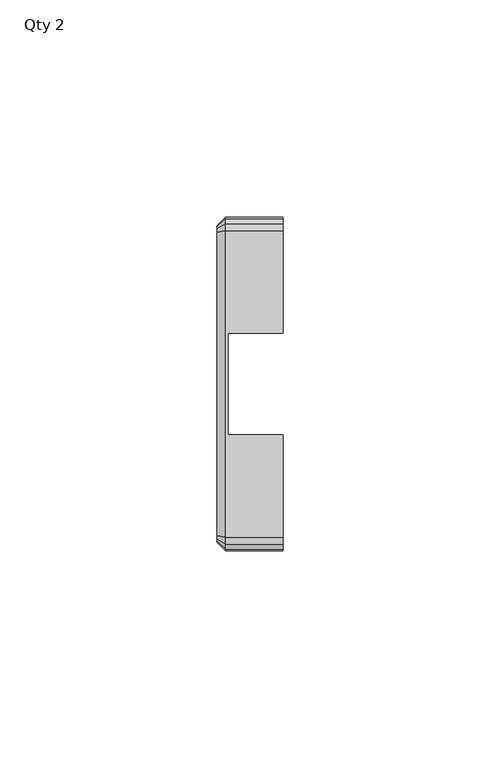
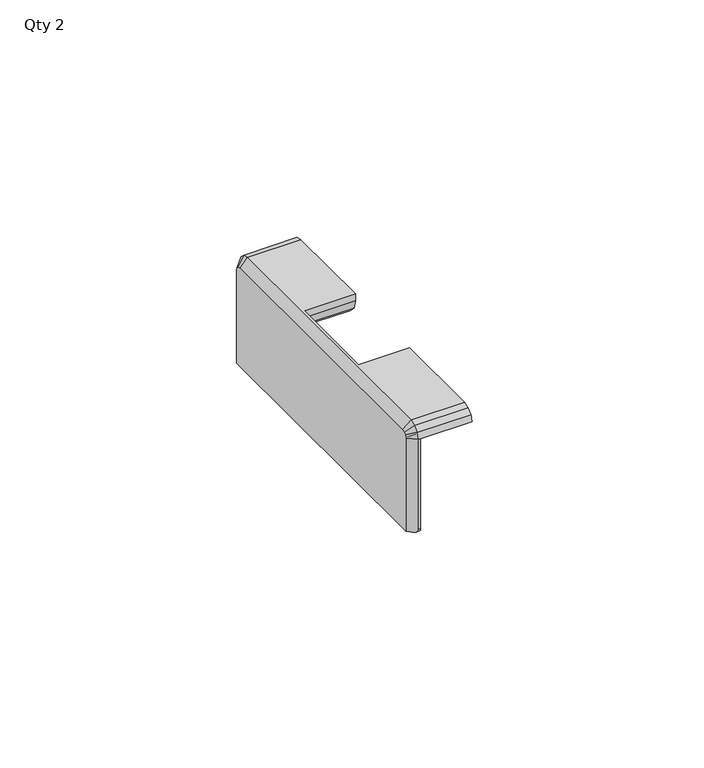
"""IFC4 building model written with IfcOpenShell, lengths in millimetres: furniture geometry, Qty 2."""

from ifc_helpers import new_model, si_unit, frame, origin, place, context, project, spatial, polyline, circle_curve, ellipse_curve, source, transform, mapped, element, save
from ifc_brep_helpers import plane_surface, cylinder_surface, revolved_surface, advanced_brep


def qty_2_4dd8b7d0(model_context):
    return source(origin(), model_context, "Body", "AdvancedBrep", [
        advanced_brep(
        [(15.24, 0.0027357, 721.2779943), (15.24, -0.4233057, 722.8680136), (15.24, -1.5872653, 724.0319687), (15.24, -3.1772664, 724.4580328), (15.24, -26.7800015, 724.4580328), (15.24, -26.7800015, 722.6579973), (15.24, -26.1704173, 720.3829908), (15.24, -24.5050018, 718.7176128), (15.24, -22.230001, 718.1079844), (15.24, -6.1958655, 718.1079844), (15.24, -5.0958599, 719.2079899), (15.24, -5.0958599, 720.205022), (15.24, -4.0228876, 721.2779943), (15.24, -73.7172649, 724.4580328), (15.24, -75.3072659, 724.0319687), (15.24, -76.4712256, 722.8680136), (15.24, -76.897267, 721.2779943), (15.24, -72.8802913, 721.2779943), (15.24, -71.8041428, 720.2018459), (15.24, -71.8041428, 719.2079899), (15.24, -70.7041372, 718.1079844), (15.24, -54.6700017, 718.1079844), (15.24, -52.3950009, 718.7176128), (15.24, -50.7295854, 720.3829908), (15.24, -50.1200012, 722.6579973), (15.24, -50.1200012, 724.4580328), (0.0, -2.0337949, 696.6079885), (0.0, -74.8607364, 696.6079885), (0.0, -74.8607364, 721.0098818), (0.0, -74.6453214, 721.813827), (0.0, -74.253071, 722.2060759), (0.0, -73.4491356, 722.4215022), (0.0, -3.4453957, 722.4215022), (0.0, -2.6414602, 722.2060759), (0.0, -2.2492099, 721.813827), (0.0, -2.0337949, 721.0098818), (2.54, -75.8972667, 696.6079885), (2.54, -76.897267, 697.6079888), (2.0365306, -76.897267, 697.6079888), (1.0365303, -75.8972667, 696.6079885), (2.54, -0.9972646, 696.6079885), (1.0365303, -0.9972646, 696.6079885), (2.54, 0.0027357, 697.6079888), (2.0365306, 0.0027357, 697.6079888), (2.54, 0.0027357, 721.2779943), (2.0365306, 0.0027357, 721.2779943), (2.0365306, -0.4233057, 722.8680136), (2.0365306, -1.5872653, 724.0319687), (2.0365306, -3.1772664, 724.4580328), (2.0365306, -73.7172649, 724.4580328), (2.54, -50.1200012, 724.4580328), (2.54, -26.7800015, 724.4580328), (2.0365306, -75.3072659, 724.0319687), (2.0365306, -76.4712256, 722.8680136), (2.0365306, -76.897267, 721.2779943), (2.54, -76.897267, 721.2779943), (2.54, -70.7041372, 718.1079844), (2.54, -71.8041428, 719.2079899), (2.54, -71.8041428, 720.2018459), (2.54, -72.8802913, 721.2779943), (2.54, -4.0228876, 721.2779943), (2.54, -5.0958599, 720.205022), (2.54, -5.0958599, 719.2079899), (2.54, -6.1958655, 718.1079844), (2.54, -22.230001, 718.1079844), (2.54, -24.5050018, 718.7176128), (2.54, -26.1704173, 720.3829908), (2.54, -26.7800015, 722.6579973), (2.54, -50.1200012, 722.6579973), (2.54, -50.7295854, 720.3829908), (2.54, -52.3950009, 718.7176128), (2.54, -54.6700017, 718.1079844)],
        [
            (0, 1),
            (1, 2),
            (2, 3),
            (3, 4),
            (4, 5),
            (5, 6),
            (6, 7),
            (7, 8),
            (8, 9),
            (9, 10, circle_curve(frame((15.24, -6.1958655, 719.2079899), z_axis=(1.0, 0.0, 0.0), x_axis=(0.0, 1.0, 0.0)), 1.1000055)),
            (10, 11),
            (11, 12, circle_curve(frame((15.24, -4.0228876, 720.205022), z_axis=(-1.0, 0.0, 0.0), x_axis=(0.0, 1.0, 0.0)), 1.0729723)),
            (12, 0),
            (13, 14),
            (14, 15),
            (15, 16),
            (16, 17),
            (17, 18, circle_curve(frame((15.24, -72.8802913, 720.2018459), z_axis=(-1.0, 0.0, 0.0), x_axis=(0.0, 1.0, 0.0)), 1.0761485)),
            (18, 19),
            (19, 20, circle_curve(frame((15.24, -70.7041372, 719.2079899), z_axis=(1.0, 0.0, 0.0), x_axis=(0.0, 1.0, 0.0)), 1.1000055)),
            (20, 21),
            (21, 22),
            (22, 23),
            (23, 24),
            (24, 25),
            (25, 13),
            (26, 27),
            (27, 28),
            (28, 29),
            (29, 30),
            (30, 31),
            (31, 32),
            (32, 33),
            (33, 34),
            (34, 35),
            (35, 26),
            (36, 37, circle_curve(frame((2.54, -75.8972667, 697.6079888), z_axis=(-1.0, 0.0, 0.0), x_axis=(0.0, 1.0, 0.0)), 1.0000003)),
            (37, 38),
            (38, 39, ellipse_curve(frame((1.0365303, -75.8972667, 697.6079888), z_axis=(0.7071067811865508, 0.7071067811865442, 0.0), x_axis=(0.7071067811865442, -0.7071067811865508, 0.0)), 1.414214, 1.0000003)),
            (39, 36),
            (40, 36),
            (39, 27),
            (26, 41),
            (41, 40),
            (42, 40, circle_curve(frame((2.54, -0.9972646, 697.6079888), z_axis=(-1.0, 0.0, 0.0), x_axis=(0.0, 1.0, 0.0)), 1.0000003)),
            (41, 43, ellipse_curve(frame((1.0365303, -0.9972646, 697.6079888), z_axis=(0.7071067811865505, -0.7071067811865447, 0.0), x_axis=(0.7071067811865446, 0.7071067811865505, 0.0)), 1.414214, 1.0000003)),
            (43, 42),
            (44, 42),
            (43, 45),
            (45, 44),
            (0, 44),
            (45, 46),
            (46, 1),
            (46, 47),
            (47, 2),
            (47, 48),
            (48, 3),
            (48, 49),
            (49, 13),
            (25, 50),
            (50, 51),
            (51, 4),
            (49, 52),
            (52, 14),
            (52, 53),
            (53, 15),
            (53, 54),
            (54, 55),
            (55, 16),
            (37, 55),
            (54, 38),
            (56, 57, circle_curve(frame((2.54, -70.7041372, 719.2079899), z_axis=(-1.0, 0.0, 0.0), x_axis=(0.0, 1.0, 0.0)), 1.1000055)),
            (57, 58),
            (58, 59, circle_curve(frame((2.54, -72.8802913, 720.2018459), z_axis=(1.0, 0.0, 0.0), x_axis=(0.0, 1.0, 0.0)), 1.0761485)),
            (59, 55),
            (44, 60),
            (60, 61, circle_curve(frame((2.54, -4.0228876, 720.205022), z_axis=(1.0, 0.0, 0.0), x_axis=(0.0, 1.0, 0.0)), 1.0729723)),
            (61, 62),
            (62, 63, circle_curve(frame((2.54, -6.1958655, 719.2079899), z_axis=(-1.0, 0.0, 0.0), x_axis=(0.0, 1.0, 0.0)), 1.1000055)),
            (63, 64),
            (64, 65),
            (65, 66),
            (66, 67),
            (67, 51),
            (50, 68),
            (68, 69),
            (69, 70),
            (70, 71),
            (71, 56),
            (56, 20),
            (19, 57),
            (18, 58),
            (17, 59),
            (12, 60),
            (11, 61),
            (10, 62),
            (9, 63),
            (8, 64),
            (7, 65),
            (6, 66),
            (5, 67),
            (24, 68),
            (23, 69),
            (22, 70),
            (21, 71),
            (54, 28),
            (53, 29),
            (52, 30),
            (49, 31),
            (48, 32),
            (47, 33),
            (46, 34),
            (45, 35),
        ],
        [
            plane_surface(frame((15.24, -74.8972664, 697.6079888), z_axis=(1.0, 0.0, 0.0), x_axis=(0.0, 0.0, 1.0))),
            plane_surface(frame((0.0, -74.8972664, 697.6079888), z_axis=(-1.0, 0.0, 0.0), x_axis=(0.0, 0.0, -1.0))),
            cylinder_surface(frame((0.0, -75.8972667, 697.6079888), z_axis=(1.0, 0.0, 0.0), x_axis=(0.0, 1.0, 0.0)), 1.0000003),
            plane_surface(frame((15.24, -75.8972667, 696.6079885), z_axis=(0.0, 0.0, -1.0), x_axis=(-1.0, 0.0, 0.0))),
            cylinder_surface(frame((0.0, -0.9972646, 697.6079888), z_axis=(1.0, 0.0, 0.0), x_axis=(0.0, 1.0, 0.0)), 1.0000003),
            plane_surface(frame((15.24, 0.0027357, 697.6079888), z_axis=(0.0, 1.0, 0.0), x_axis=(-1.0, 0.0, 0.0))),
            plane_surface(frame((15.24, 0.0027357, 721.2779943), z_axis=(0.0, 0.9659262769177395, 0.25881736332756844), x_axis=(-1.0, 0.0, 0.0))),
            plane_surface(frame((15.24, -0.4233057, 722.8680136), z_axis=(0.0, 0.7071054015857877, 0.7071081607846157), x_axis=(-1.0, 0.0, 0.0))),
            plane_surface(frame((15.24, -1.5872653, 724.0319687), z_axis=(0.0, 0.25883299420912376, 0.9659220885292663), x_axis=(-1.0, 0.0, 0.0))),
            plane_surface(frame((15.24, -3.1772664, 724.4580328), z_axis=(0.0, 0.0, 1.0), x_axis=(-1.0, 0.0, 0.0))),
            plane_surface(frame((15.24, -73.7172649, 724.4580328), z_axis=(0.0, -0.25883299420912814, 0.9659220885292651), x_axis=(-1.0, 0.0, 0.0))),
            plane_surface(frame((15.24, -75.3072659, 724.0319687), z_axis=(0.0, -0.7071054015857835, 0.70710816078462), x_axis=(-1.0, 0.0, 0.0))),
            plane_surface(frame((15.24, -76.4712256, 722.8680136), z_axis=(0.0, -0.9659262769177406, 0.2588173633275645), x_axis=(-1.0, 0.0, 0.0))),
            plane_surface(frame((15.24, -76.897267, 721.2779943), z_axis=(0.0, -1.0, 0.0), x_axis=(-1.0, 0.0, 0.0))),
            plane_surface(frame((2.54, -69.6041317, 719.2079899), z_axis=(1.0, 0.0, 0.0), x_axis=(0.0, 0.0, 1.0))),
            cylinder_surface(frame((2.54, -70.7041372, 719.2079899), z_axis=(-1.0, 0.0, 0.0), x_axis=(0.0, 1.0, 0.0)), 1.1000055),
            plane_surface(frame((15.46, -71.8041428, 719.2079899), z_axis=(0.0, -1.0, 0.0), x_axis=(-1.0, 0.0, 0.0))),
            revolved_surface(polyline([(15.239999999999998, -71.8041428, 720.2018459), (2.54, -71.8041428, 720.2018459)]), (2.54, -72.8802913, 720.2018459), (1.0, 0.0, 0.0)),
            plane_surface(frame((15.46, -72.8802913, 721.2779943), z_axis=(0.0, 0.0, -1.0), x_axis=(-1.0, 0.0, 0.0))),
            plane_surface(frame((15.46, 0.0027357, 721.2779943), z_axis=(0.0, 0.0, -1.0), x_axis=(-1.0, 0.0, 0.0))),
            revolved_surface(polyline([(15.239999999999998, -2.9499153, 720.205022), (2.54, -2.9499153, 720.205022)]), (2.54, -4.0228876, 720.205022), (1.0, 0.0, 0.0)),
            plane_surface(frame((15.46, -5.0958599, 720.205022), z_axis=(0.0, 1.0, 0.0), x_axis=(-1.0, 0.0, 0.0))),
            cylinder_surface(frame((2.54, -6.1958655, 719.2079899), z_axis=(-1.0, 0.0, 0.0), x_axis=(0.0, 1.0, 0.0)), 1.1000055),
            plane_surface(frame((15.46, -6.1958655, 718.1079844), z_axis=(0.0, 0.0, -1.0), x_axis=(-1.0, 0.0, 0.0))),
            plane_surface(frame((15.46, -22.230001, 718.1079844), z_axis=(0.0, -0.2588364187085513, -0.9659211708778991), x_axis=(-1.0, 0.0, 0.0))),
            plane_surface(frame((15.46, -24.5050018, 718.7176128), z_axis=(0.0, -0.7070988263957118, -0.7071147358878949), x_axis=(-1.0, 0.0, 0.0))),
            plane_surface(frame((15.46, -26.1704173, 720.3829908), z_axis=(0.0, -0.9659260329607757, -0.25881827379197636), x_axis=(-1.0, 0.0, 0.0))),
            plane_surface(frame((15.46, -26.7800015, 722.6579973), z_axis=(0.0, -1.0, 0.0), x_axis=(-1.0, 0.0, 0.0))),
            plane_surface(frame((15.46, -50.1200012, 724.4580328), z_axis=(0.0, 1.0, 0.0), x_axis=(-1.0, 0.0, 0.0))),
            plane_surface(frame((15.46, -50.1200012, 722.6579973), z_axis=(0.0, 0.9659260329607757, -0.25881827379197636), x_axis=(-1.0, 0.0, 0.0))),
            plane_surface(frame((15.46, -50.7295854, 720.3829908), z_axis=(0.0, 0.7070988263957118, -0.7071147358878949), x_axis=(-1.0, 0.0, 0.0))),
            plane_surface(frame((15.46, -52.3950009, 718.7176128), z_axis=(0.0, 0.2588364187085513, -0.9659211708778991), x_axis=(-1.0, 0.0, 0.0))),
            plane_surface(frame((15.46, -54.6700017, 718.1079844), z_axis=(0.0, 0.0, -1.0), x_axis=(-1.0, 0.0, 0.0))),
            plane_surface(frame((0.0, -74.8607364, 695.1329968), z_axis=(-0.7071067811865508, -0.7071067811865442, 0.0), x_axis=(0.0, 0.0, 1.0))),
            plane_surface(frame((0.0, -74.8607364, 721.0098818), z_axis=(-0.707106781186549, -0.6830130205348024, 0.18301151269776433), x_axis=(0.0, 0.2588173633275852, 0.965926276917735))),
            plane_surface(frame((0.0, -74.6453214, 721.813827), z_axis=(-0.7071067811865455, -0.4999990244750265, 0.5000009755230731), x_axis=(0.0, 0.7071081607845008, 0.7071054015859025))),
            plane_surface(frame((0.0, -74.253071, 722.2060759), z_axis=(-0.7071067811865436, -0.18302256540014383, 0.6830100588969068), x_axis=(0.0, 0.9659220885292455, 0.2588329942092014))),
            plane_surface(frame((0.0, -73.4491356, 722.4215022), z_axis=(-0.7071067811865432, 0.0, 0.7071067811865518), x_axis=(0.0, 1.0, 0.0))),
            plane_surface(frame((0.0, -3.4453957, 722.4215022), z_axis=(-0.7071067811865436, 0.18302256540003142, 0.6830100588969367), x_axis=(0.0, 0.9659220885292882, -0.2588329942090422))),
            plane_surface(frame((0.0, -2.6414602, 722.2060759), z_axis=(-0.7071067811865452, 0.4999990244748731, 0.500000975523227), x_axis=(0.0, 0.7071081607847182, -0.7071054015856852))),
            plane_surface(frame((0.0, -2.2492099, 721.813827), z_axis=(-0.7071067811865485, 0.6830130205348103, 0.18301151269773577), x_axis=(0.0, 0.25881736332754435, -0.9659262769177459))),
            plane_surface(frame((0.0, -2.0337949, 721.0098818), z_axis=(-0.7071067811865505, 0.7071067811865447, 0.0), x_axis=(0.0, 0.0, -1.0))),
        ],
        [
            (0, [[1, 2, 3, 4, 5, 6, 7, 8, 9, 10, 11, 12, 13]]),
            (0, [[14, 15, 16, 17, 18, 19, 20, 21, 22, 23, 24, 25, 26]]),
            (1, [[27, 28, 29, 30, 31, 32, 33, 34, 35, 36]]),
            (2, [[37, 38, 39, 40]]),
            (3, [[41, -40, 42, -27, 43, 44]]),
            (4, [[45, -44, 46, 47]]),
            (5, [[48, -47, 49, 50]]),
            (6, [[-1, 51, -50, 52, 53]]),
            (7, [[-2, -53, 54, 55]]),
            (8, [[-3, -55, 56, 57]]),
            (9, [[-4, -57, 58, 59, -26, 60, 61, 62]]),
            (10, [[-14, -59, 63, 64]]),
            (11, [[-15, -64, 65, 66]]),
            (12, [[-16, -66, 67, 68, 69]]),
            (13, [[70, -68, 71, -38]]),
            (14, [[72, 73, 74, 75, -70, -37, -41, -45, -48, 76, 77, 78, 79, 80, 81, 82, 83, 84, -61, 85, 86, 87, 88, 89]]),
            (15, [[-72, 90, -20, 91]]),
            (16, [[-73, -91, -19, 92]]),
            (17, [[-74, -92, -18, 93]]),
            (18, [[-75, -93, -17, -69]]),
            (19, [[-76, -51, -13, 94]]),
            (20, [[-77, -94, -12, 95]]),
            (21, [[-78, -95, -11, 96]]),
            (22, [[-79, -96, -10, 97]]),
            (23, [[-80, -97, -9, 98]]),
            (24, [[-81, -98, -8, 99]]),
            (25, [[-82, -99, -7, 100]]),
            (26, [[-83, -100, -6, 101]]),
            (27, [[-84, -101, -5, -62]]),
            (28, [[-85, -60, -25, 102]]),
            (29, [[-86, -102, -24, 103]]),
            (30, [[-87, -103, -23, 104]]),
            (31, [[-88, -104, -22, 105]]),
            (32, [[-89, -105, -21, -90]]),
            (33, [[106, -28, -42, -39, -71]]),
            (34, [[-106, -67, 107, -29]]),
            (35, [[-107, -65, 108, -30]]),
            (36, [[-108, -63, 109, -31]]),
            (37, [[-109, -58, 110, -32]]),
            (38, [[-110, -56, 111, -33]]),
            (39, [[-111, -54, 112, -34]]),
            (40, [[-112, -52, 113, -35]]),
            (41, [[-113, -49, -46, -43, -36]]),
        ],
    ),
    ])


if __name__ == "__main__":
    model = new_model("IFC4")
    model_context = context("Model", 3, world=origin())
    ifc_project = project(units=[si_unit("LENGTHUNIT", "METRE", prefix="MILLI")], contexts=[model_context])
    site = spatial("IfcSite", under=ifc_project)
    building = spatial("IfcBuilding", under=site)
    placement = place(None, origin())
    qty_2_shape = qty_2_4dd8b7d0(model_context)
    element("IfcFurniture", 1, ObjectType="Qty 2", at=placement, inside=building, context=model_context, shape_type="MappedRepresentation", body=[
        mapped(qty_2_shape, transform((0.0, 0.0, 0.0), x_axis=(1.0, 0.0, 0.0), y_axis=(0.0, 1.0, 0.0), z_axis=(0.0, 0.0, 1.0))),
    ])
    save(model, "model.ifc")
